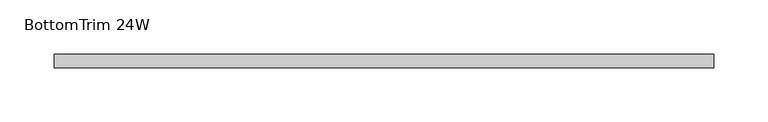
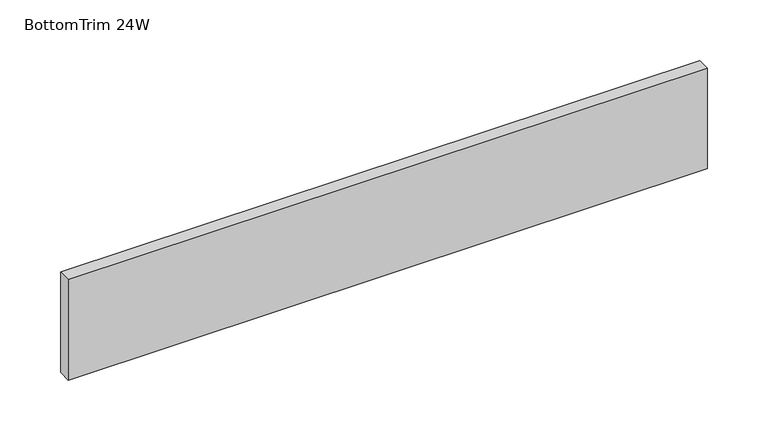
"""IFC4 building model written with IfcOpenShell, lengths in millimetres: furniture geometry, BottomTrim 24W."""

import ifcopenshell
import ifcopenshell.guid

model = None  # the IFC model being written
_history = None  # IfcOwnerHistory: only IFC2X3 demands one
_inside = {}  # id of a spatial element -> (the spatial element, [elements in it])
_under = {}  # id of a project, library or spatial element -> (it, [spatial elements below it])
_declared = {}  # id of a project -> (the project, [libraries it declares])
_typed = {}  # id of a type object -> (the type object, [elements of that type])
_made_of = {}  # id of a material, layer set ... -> (it, [elements and type objects made of it])


def new_model(schema):
    """Start an empty IFC model of exactly this schema.

    Asked for "IFC4X3", IfcOpenShell would pick the latest addendum, in which some entities
    have other attributes; the version numbers below select the first issue.
    IFC2X3 requires an IfcOwnerHistory on every rooted entity: one is made here for all.
    """
    global model, _history
    if schema == "IFC4X3":
        model = ifcopenshell.file(schema_version=(4, 3, 0, 0))
    else:
        model = ifcopenshell.file(schema=schema)
    _inside.clear()
    _under.clear()
    _declared.clear()
    _typed.clear()
    _made_of.clear()
    _history = None
    if model.schema == "IFC2X3":
        org = make("IfcOrganization", Name="unknown")
        user = make(
            "IfcPersonAndOrganization",
            ThePerson=make("IfcPerson", FamilyName="unknown"),
            TheOrganization=org,
        )
        app = make(
            "IfcApplication",
            ApplicationDeveloper=org,
            Version="unknown",
            ApplicationFullName="unknown",
            ApplicationIdentifier="unknown",
        )
        _history = make(
            "IfcOwnerHistory",
            OwningUser=user,
            OwningApplication=app,
            ChangeAction="ADDED",
            CreationDate=0,
        )
    return model


def make(cls, **values):
    """One entity of the class cls with the attributes given. An attribute that is None is left unset."""
    return model.create_entity(
        cls, **{name: value for name, value in values.items() if value is not None}
    )


def rooted(cls, **values):
    """An entity with a GlobalId (a new one), such as an element, a storey or a relation."""
    return make(cls, GlobalId=ifcopenshell.guid.new(), OwnerHistory=_history, **values)


def si_unit(unit_type, name, prefix=None):
    """IfcSIUnit, for example si_unit("LENGTHUNIT", "METRE", prefix="MILLI")."""
    return make("IfcSIUnit", UnitType=unit_type, Prefix=prefix, Name=name)


def assignment(units):
    """IfcUnitAssignment: the units of a project."""
    return None if units is None else make("IfcUnitAssignment", Units=units)


def point(xyz):
    """IfcCartesianPoint."""
    return None if xyz is None else make("IfcCartesianPoint", Coordinates=xyz)


def direction(xyz):
    """IfcDirection."""
    return None if xyz is None else make("IfcDirection", DirectionRatios=xyz)


def frame(location, z_axis=None, x_axis=None):
    """IfcAxis2Placement3D, a coordinate frame: its origin and axes. An axis left out is left unset."""
    return make(
        "IfcAxis2Placement3D",
        Location=point(location),
        Axis=direction(z_axis),
        RefDirection=direction(x_axis),
    )


def origin():
    """The frame at (0, 0, 0) with its axes left unset."""
    return frame((0.0, 0.0, 0.0))


def place(relative_to, where):
    """IfcLocalPlacement: puts the frame where relative to a parent placement (None: the world)."""
    return make(
        "IfcLocalPlacement", PlacementRelTo=relative_to, RelativePlacement=where
    )


def context(
    kind, dimensions, precision=None, world=None, true_north=None, identifier=None
):
    """IfcGeometricRepresentationContext, for example the 3D "Model" context."""
    return make(
        "IfcGeometricRepresentationContext",
        ContextIdentifier=identifier,
        ContextType=kind,
        CoordinateSpaceDimension=dimensions,
        Precision=precision,
        WorldCoordinateSystem=world,
        TrueNorth=true_north,
    )


def project(units=None, contexts=None):
    """IfcProject with its units and contexts."""
    return rooted(
        "IfcProject",
        Name="project",
        RepresentationContexts=contexts,
        UnitsInContext=assignment(units),
    )


def spatial(cls, under=None, at=None, **own):
    """A site, building, storey or space (cls), placed at a placement, below another one or the project."""
    s = rooted(cls, ObjectPlacement=at, **own)
    if under is not None:
        _under.setdefault(under.id(), (under, []))[1].append(s)
    return s


def polyline(points):
    """IfcPolyline through the points."""
    return make("IfcPolyline", Points=[point(p) for p in points])


def outline(outer, holes=None, kind="AREA"):
    """IfcArbitraryClosedProfileDef: a profile drawn as a closed curve; with holes, ...WithVoids."""
    if holes is None:
        return make("IfcArbitraryClosedProfileDef", ProfileType=kind, OuterCurve=outer)
    return make(
        "IfcArbitraryProfileDefWithVoids",
        ProfileType=kind,
        OuterCurve=outer,
        InnerCurves=holes,
    )


def extrude(swept, where, along, depth):
    """IfcExtrudedAreaSolid: the profile swept, set in the frame where, extruded along a direction by depth."""
    return make(
        "IfcExtrudedAreaSolid",
        SweptArea=swept,
        Position=where,
        ExtrudedDirection=direction(along),
        Depth=depth,
    )


def shape(context_of_items, identifier, shape_type, items):
    """IfcShapeRepresentation: the items that make up one representation, for example the "Body"."""
    return make(
        "IfcShapeRepresentation",
        ContextOfItems=context_of_items,
        RepresentationIdentifier=identifier,
        RepresentationType=shape_type,
        Items=items,
    )


def source(mapping_origin, context_of_items, identifier, shape_type, items):
    """IfcRepresentationMap: a shape defined once, which mapped items show again and again."""
    return make(
        "IfcRepresentationMap",
        MappingOrigin=mapping_origin,
        MappedRepresentation=shape(context_of_items, identifier, shape_type, items),
    )


def transform(
    local_origin,
    x_axis=None,
    y_axis=None,
    z_axis=None,
    scale=None,
    scale2=None,
    scale3=None,
    uniform=True,
):
    """IfcCartesianTransformationOperator3D, or its non-uniform kind. x_axis, y_axis, z_axis: its Axis1, 2, 3."""
    if uniform:
        return make(
            "IfcCartesianTransformationOperator3D",
            Axis1=direction(x_axis),
            Axis2=direction(y_axis),
            LocalOrigin=point(local_origin),
            Scale=scale,
            Axis3=direction(z_axis),
        )
    return make(
        "IfcCartesianTransformationOperator3DnonUniform",
        Axis1=direction(x_axis),
        Axis2=direction(y_axis),
        LocalOrigin=point(local_origin),
        Scale=scale,
        Axis3=direction(z_axis),
        Scale2=scale2,
        Scale3=scale3,
    )


def mapped(mapping_source, mapping_target):
    """IfcMappedItem: shows the shape of a source again, moved by a transform."""
    return make(
        "IfcMappedItem", MappingSource=mapping_source, MappingTarget=mapping_target
    )


def made_of(thing, what):
    """Note that an element or type object is made of a material, layer set ...; save() writes the relation."""
    if what is not None:
        _made_of.setdefault(what.id(), (what, []))[1].append(thing)
    return thing


def element(
    cls,
    number,
    at=None,
    inside=None,
    cuts=None,
    type_object=None,
    material=None,
    context=None,
    identifier="Body",
    shape_type=None,
    held_by="IfcProductDefinitionShape",
    body=None,
    shapes=None,
    **own,
):
    """One element of the class cls, such as IfcWall. Its Tag is "e" and its number.

    at: its placement. inside: the storey or other place that contains it. cuts: it is an
    opening in that element (IfcRelVoidsElement). A single representation is given by context,
    identifier, shape_type and body (its items); several are given by shapes. held_by: the class
    of the entity that holds the representations. save() writes the other relations.
    """
    e = rooted(cls, Tag="e%d" % number, ObjectPlacement=at, **own)
    if body is not None:
        shapes = [shape(context, identifier, shape_type, body)]
    if shapes is not None:
        e.Representation = make(held_by, Representations=shapes)
    if inside is not None:
        _inside.setdefault(inside.id(), (inside, []))[1].append(e)
    if cuts is not None:
        rooted(
            "IfcRelVoidsElement", RelatingBuildingElement=cuts, RelatedOpeningElement=e
        )
    if type_object is not None:
        _typed.setdefault(type_object.id(), (type_object, []))[1].append(e)
    return made_of(e, material)


def aggregate(whole, parts):
    """IfcRelAggregates: a whole, such as a stair, and the parts it consists of."""
    return rooted("IfcRelAggregates", RelatingObject=whole, RelatedObjects=parts)


def save(model, path):
    """Write the relations noted so far, then the file.

    IfcRelAggregates (storeys below a building ...), IfcRelContainedInSpatialStructure (elements
    in a storey), IfcRelDefinesByType, IfcRelAssociatesMaterial and IfcRelDeclares: one each for
    every whole, place, type object, material and project.
    """
    for whole, parts in _under.values():
        aggregate(whole, parts)
    for where, things in _inside.values():
        rooted(
            "IfcRelContainedInSpatialStructure",
            RelatedElements=things,
            RelatingStructure=where,
        )
    for kind, things in _typed.values():
        rooted("IfcRelDefinesByType", RelatedObjects=things, RelatingType=kind)
    for what, things in _made_of.values():
        rooted("IfcRelAssociatesMaterial", RelatedObjects=things, RelatingMaterial=what)
    for by, libraries in _declared.values():
        rooted("IfcRelDeclares", RelatingContext=by, RelatedDefinitions=libraries)
    model.write(path)


def bottomtrim_24w_7688605d(model_context):
    return source(origin(), model_context, "Body", "SweptSolid", [
        extrude(outline(polyline([(0.0, -50.8000015), (0.0, -38.1), (609.6, -38.1), (609.6, -50.8000015), (0.0, -50.8000015)])), frame((0.0, 0.0, 25.4), z_axis=(0.0, 0.0, 1.0), x_axis=(1.0, 0.0, 0.0)), (0.0, 0.0, 1.0), 101.600003),
    ])


if __name__ == "__main__":
    model = new_model("IFC4")
    model_context = context("Model", 3, world=origin())
    ifc_project = project(units=[si_unit("LENGTHUNIT", "METRE", prefix="MILLI")], contexts=[model_context])
    site = spatial("IfcSite", under=ifc_project)
    building = spatial("IfcBuilding", under=site)
    placement = place(None, origin())
    bottomtrim_24w_shape = bottomtrim_24w_7688605d(model_context)
    element("IfcFurniture", 1, ObjectType="BottomTrim 24W", at=placement, inside=building, context=model_context, shape_type="MappedRepresentation", body=[
        mapped(bottomtrim_24w_shape, transform((0.0, 0.0, 0.0), x_axis=(1.0, 0.0, 0.0), y_axis=(0.0, 1.0, 0.0), z_axis=(0.0, 0.0, 1.0))),
    ])
    save(model, "model.ifc")
